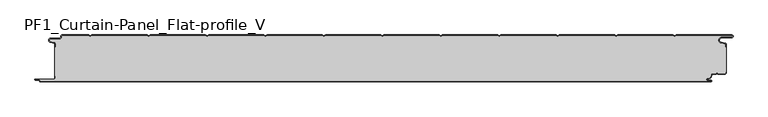
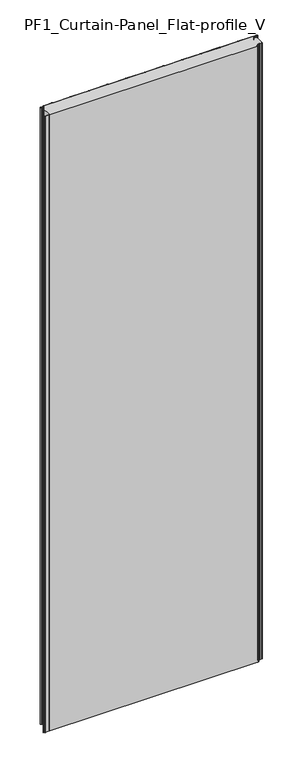
"""IFC4 building model written with IfcOpenShell, lengths in millimetres: plate geometry, PF1_Curtain-Panel_Flat-profile_V."""

from ifc_helpers import new_model, si_unit, point, frame_2d, origin, origin_with_axes, place, context, project, spatial, polyline, circle_curve, trimmed, segment, composite_curve, outline, extrude, source, transform, mapped, element, save


def pf1_curtain_panel_flat_profile_v_ab3c4e2d(model_context):
    return source(origin(), model_context, "Body", "SweptSolid", [
        extrude(outline(composite_curve([segment(trimmed(circle_curve(frame_2d((-577.0, -15.878557)), 2.0), [point((-575.0, -15.878557))], [point((-576.5500978, -13.9298169))], True, "CARTESIAN"), True, "CONTINUOUS"), segment(polyline([(-576.5500978, -13.9298169), (-582.7098239, -12.507732)]), True, "CONTINUOUS"), segment(trimmed(circle_curve(frame_2d((-581.9, -9.0)), 3.6), [point((-582.7098239, -12.507732))], [point((-581.9, -5.4))], False, "CARTESIAN"), True, "CONTINUOUS"), segment(polyline([(-581.9, -5.4), (-566.4, -5.4)]), True, "CONTINUOUS"), segment(trimmed(circle_curve(frame_2d((-566.4, -3.4)), 2.0), [point((-566.4, -5.4))], [point((-564.4, -3.4))], True, "CARTESIAN"), True, "CONTINUOUS"), segment(polyline([(-564.4, -3.4), (-564.4, -2.0)]), True, "CONTINUOUS"), segment(trimmed(circle_curve(frame_2d((-562.4, -2.0)), 2.0), [point((-564.4, -2.0))], [point((-562.4, 0.0))], False, "CARTESIAN"), True, "CONTINUOUS"), segment(polyline([(-562.4, 0.0), (-517.0999995, 0.0), (-514.4, -1.5588455), (-511.7000005, 0.0), (-417.0999995, 0.0), (-414.4, -1.5588455), (-411.7000005, 0.0), (-317.0999995, 0.0), (-314.4, -1.5588455), (-311.7000005, 0.0), (-217.0999995, 0.0), (-214.4, -1.5588455), (-211.7000005, 0.0), (-117.0999995, 0.0), (-114.4, -1.5588455), (-111.7000005, 0.0), (-17.0999995, 0.0), (-14.4, -1.5588455), (-11.7000005, 0.0), (82.9000005, 0.0), (85.6, -1.5588455), (88.2999995, 0.0), (182.9000005, 0.0), (185.6, -1.5588455), (188.2999995, 0.0), (282.9000005, 0.0), (285.6, -1.5588455), (288.2999995, 0.0), (382.9000005, 0.0), (385.6, -1.5588455), (388.2999995, 0.0), (482.9000005, 0.0), (485.6, -1.5588455), (488.2999995, 0.0), (583.268846, 0.0)]), True, "CONTINUOUS"), segment(trimmed(circle_curve(frame_2d((583.268846, -2.5)), 2.5), [point((583.268846, 0.0))], [point((583.268846, -5.0))], False, "CARTESIAN"), True, "CONTINUOUS"), segment(polyline([(583.268846, -5.0), (566.268846, -5.0)]), True, "CONTINUOUS"), segment(trimmed(circle_curve(frame_2d((566.268846, -9.0)), 4.0), [point((566.268846, -5.0))], [point((565.574253, -12.939231))], True, "CARTESIAN"), True, "CONTINUOUS"), segment(polyline([(565.574253, -12.939231), (572.0203315, -14.0758491)]), True, "CONTINUOUS"), segment(trimmed(circle_curve(frame_2d((571.568846, -16.6363492)), 2.6), [point((572.0203315, -14.0758491))], [point((574.168846, -16.6363492))], False, "CARTESIAN"), True, "CONTINUOUS"), segment(polyline([(574.168846, -16.6363492), (574.168846, -20.0), (573.368846, -20.0), (573.368846, -16.6363492)]), True, "CONTINUOUS"), segment(trimmed(circle_curve(frame_2d((571.568846, -16.6363492)), 1.8), [point((573.368846, -16.6363492))], [point((571.8814129, -14.8636953))], True, "CARTESIAN"), True, "CONTINUOUS"), segment(polyline([(571.8814129, -14.8636953), (565.4353344, -13.7270772)]), True, "CONTINUOUS"), segment(trimmed(circle_curve(frame_2d((566.268846, -9.0)), 4.8), [point((565.4353344, -13.7270772))], [point((566.268846, -4.2))], False, "CARTESIAN"), True, "CONTINUOUS"), segment(polyline([(566.268846, -4.2), (583.268846, -4.2)]), True, "CONTINUOUS"), segment(trimmed(circle_curve(frame_2d((583.268846, -2.5)), 1.7), [point((583.268846, -4.2))], [point((583.268846, -0.8))], True, "CARTESIAN"), True, "CONTINUOUS"), segment(polyline([(583.268846, -0.8), (488.5143588, -0.8), (485.6, -2.482606), (482.6856412, -0.8), (388.5143588, -0.8), (385.6, -2.482606), (382.6856412, -0.8), (288.5143588, -0.8), (285.6, -2.482606), (282.6856412, -0.8), (188.5143588, -0.8), (185.6, -2.482606), (182.6856412, -0.8), (88.5143588, -0.8), (85.6, -2.482606), (82.6856412, -0.8), (-11.4856412, -0.8), (-14.4, -2.482606), (-17.3143588, -0.8), (-111.4856412, -0.8), (-114.4, -2.482606), (-117.3143588, -0.8), (-211.4856412, -0.8), (-214.4, -2.482606), (-217.3143588, -0.8), (-311.4856412, -0.8), (-314.4, -2.482606), (-317.3143588, -0.8), (-411.4856412, -0.8), (-414.4, -2.482606), (-417.3143588, -0.8), (-511.4856412, -0.8), (-514.4, -2.482606), (-517.3143588, -0.8), (-562.4, -0.8)]), True, "CONTINUOUS"), segment(trimmed(circle_curve(frame_2d((-562.4, -2.0)), 1.2), [point((-562.4, -0.8))], [point((-563.6, -2.0))], True, "CARTESIAN"), True, "CONTINUOUS"), segment(polyline([(-563.6, -2.0), (-563.6, -3.4)]), True, "CONTINUOUS"), segment(trimmed(circle_curve(frame_2d((-566.4, -3.4)), 2.8), [point((-563.6, -3.4))], [point((-566.4, -6.2))], False, "CARTESIAN"), True, "CONTINUOUS"), segment(polyline([(-566.4, -6.2), (-581.9, -6.2)]), True, "CONTINUOUS"), segment(trimmed(circle_curve(frame_2d((-581.9, -9.0)), 2.8), [point((-581.9, -6.2))], [point((-582.529863, -11.7282362))], True, "CARTESIAN"), True, "CONTINUOUS"), segment(polyline([(-582.529863, -11.7282362), (-576.370137, -13.150321)]), True, "CONTINUOUS"), segment(trimmed(circle_curve(frame_2d((-577.0, -15.878557)), 2.8), [point((-576.370137, -13.150321))], [point((-574.2, -15.878557))], False, "CARTESIAN"), True, "CONTINUOUS"), segment(polyline([(-574.2, -15.878557), (-574.2, -20.0), (-575.0, -20.0), (-575.0, -15.878557)]), True, "CONTINUOUS")], self_intersect=False)), origin_with_axes(), (0.0, 0.0, 1.0), 3500.0),
        extrude(outline(composite_curve([segment(polyline([(-574.2, -70.0), (-575.0, -70.0), (-575.0, -20.0), (-574.2, -20.0), (-574.2, -15.878557)]), True, "CONTINUOUS"), segment(trimmed(circle_curve(frame_2d((-577.0, -15.878557)), 2.8), [point((-574.2, -15.878557))], [point((-576.370137, -13.1503208))], True, "CARTESIAN"), True, "CONTINUOUS"), segment(polyline([(-576.370137, -13.1503208), (-582.529863, -11.7282362)]), True, "CONTINUOUS"), segment(trimmed(circle_curve(frame_2d((-581.9, -9.0)), 2.8), [point((-582.529863, -11.7282362))], [point((-581.9, -6.2))], False, "CARTESIAN"), True, "CONTINUOUS"), segment(polyline([(-581.9, -6.2), (-566.4, -6.2)]), True, "CONTINUOUS"), segment(trimmed(circle_curve(frame_2d((-566.4, -3.4)), 2.8), [point((-566.4, -6.2))], [point((-563.6, -3.4))], True, "CARTESIAN"), True, "CONTINUOUS"), segment(polyline([(-563.6, -3.4), (-563.6, -2.0)]), True, "CONTINUOUS"), segment(trimmed(circle_curve(frame_2d((-562.4, -2.0)), 1.2), [point((-563.6, -2.0))], [point((-562.4, -0.8))], False, "CARTESIAN"), True, "CONTINUOUS"), segment(polyline([(-562.4, -0.8), (-517.3143588, -0.8), (-514.4, -2.482606), (-511.4856412, -0.8), (-417.3143588, -0.8), (-414.4, -2.482606), (-411.4856412, -0.8), (-317.3143588, -0.8), (-314.4, -2.482606), (-311.4856412, -0.8), (-217.3143588, -0.8), (-214.4, -2.482606), (-211.4856412, -0.8), (-117.3143588, -0.8), (-114.4, -2.482606), (-111.4856412, -0.8), (-17.3143588, -0.8), (-14.4, -2.482606), (-11.4856412, -0.8), (82.6856412, -0.8), (85.6, -2.482606), (88.5143588, -0.8), (182.6856412, -0.8), (185.6, -2.482606), (188.5143588, -0.8), (282.6856412, -0.8), (285.6, -2.482606), (288.5143588, -0.8), (382.6856412, -0.8), (385.6, -2.482606), (388.5143588, -0.8), (482.6856412, -0.8), (485.6, -2.482606), (488.5143588, -0.8), (583.268846, -0.8)]), True, "CONTINUOUS"), segment(trimmed(circle_curve(frame_2d((583.268846, -2.5)), 1.7), [point((583.268846, -0.8))], [point((583.268846, -4.2))], False, "CARTESIAN"), True, "CONTINUOUS"), segment(polyline([(583.268846, -4.2), (566.268846, -4.2)]), True, "CONTINUOUS"), segment(trimmed(circle_curve(frame_2d((566.268846, -9.0)), 4.8), [point((566.268846, -4.2))], [point((565.4353344, -13.7270772))], True, "CARTESIAN"), True, "CONTINUOUS"), segment(polyline([(565.4353344, -13.7270772), (571.8814129, -14.8636953)]), True, "CONTINUOUS"), segment(trimmed(circle_curve(frame_2d((571.568846, -16.6363492)), 1.8), [point((571.8814129, -14.8636953))], [point((573.368846, -16.6363492))], False, "CARTESIAN"), True, "CONTINUOUS"), segment(polyline([(573.368846, -16.6363492), (573.368846, -20.0), (574.168846, -20.0), (574.168846, -63.0), (573.368846, -63.0), (573.368846, -64.4)]), True, "CONTINUOUS"), segment(trimmed(circle_curve(frame_2d((571.568846, -64.4)), 1.8), [point((573.368846, -64.4))], [point((571.568846, -66.2))], False, "CARTESIAN"), True, "CONTINUOUS"), segment(polyline([(571.568846, -66.2), (560.0002158, -66.2), (558.168846, -64.3686285), (556.3374762, -66.2), (550.168846, -66.2)]), True, "CONTINUOUS"), segment(trimmed(circle_curve(frame_2d((550.168846, -68.0)), 1.8), [point((550.168846, -66.2))], [point((548.368846, -68.0))], True, "CARTESIAN"), True, "CONTINUOUS"), segment(polyline([(548.368846, -68.0), (548.368846, -68.8276204)]), True, "CONTINUOUS"), segment(trimmed(circle_curve(frame_2d((542.9964664, -68.8276204)), 5.3723796), [point((548.368846, -68.8276204))], [point((542.9964664, -74.2))], False, "CARTESIAN"), True, "CONTINUOUS"), segment(polyline([(542.9964664, -74.2), (542.168846, -74.2)]), True, "CONTINUOUS"), segment(trimmed(circle_curve(frame_2d((542.168846, -76.4)), 2.2), [point((542.168846, -74.2))], [point((542.168846, -78.6))], True, "CARTESIAN"), True, "CONTINUOUS"), segment(polyline([(542.168846, -78.6), (548.0579973, -78.6)]), True, "CONTINUOUS"), segment(trimmed(circle_curve(frame_2d((548.0579973, -78.9)), 0.3), [point((548.0579973, -78.6))], [point((548.0579973, -79.2))], False, "CARTESIAN"), True, "CONTINUOUS"), segment(polyline([(548.0579973, -79.2), (-599.4, -79.2)]), True, "CONTINUOUS"), segment(trimmed(circle_curve(frame_2d((-599.4, -78.4)), 0.8), [point((-599.4, -79.2))], [point((-600.2, -78.4))], False, "CARTESIAN"), True, "CONTINUOUS"), segment(trimmed(circle_curve(frame_2d((-601.9, -78.6133333)), 1.7133333), [point((-600.2, -78.4))], [point((-601.9, -76.9))], True, "CARTESIAN"), True, "CONTINUOUS"), segment(polyline([(-601.9, -76.9), (-607.8700312, -76.9)]), True, "CONTINUOUS"), segment(trimmed(circle_curve(frame_2d((-607.8700312, -76.6)), 0.3), [point((-607.8700312, -76.9))], [point((-607.8700312, -76.3))], False, "CARTESIAN"), True, "CONTINUOUS"), segment(polyline([(-607.8700312, -76.3), (-577.0, -76.3)]), True, "CONTINUOUS"), segment(trimmed(circle_curve(frame_2d((-577.0, -73.5)), 2.8), [point((-577.0, -76.3))], [point((-574.2, -73.5))], True, "CARTESIAN"), True, "CONTINUOUS"), segment(polyline([(-574.2, -73.5), (-574.2, -70.0)]), True, "CONTINUOUS")], self_intersect=False)), origin_with_axes(), (0.0, 0.0, 1.0), 3500.0),
        extrude(outline(composite_curve([segment(polyline([(-575.0, -70.0), (-574.2, -70.0), (-574.2, -73.5)]), True, "CONTINUOUS"), segment(trimmed(circle_curve(frame_2d((-577.0, -73.5)), 2.8), [point((-574.2, -73.5))], [point((-577.0, -76.3))], False, "CARTESIAN"), True, "CONTINUOUS"), segment(polyline([(-577.0, -76.3), (-607.8700312, -76.3)]), True, "CONTINUOUS"), segment(trimmed(circle_curve(frame_2d((-607.8700312, -76.6)), 0.3), [point((-607.8700312, -76.3))], [point((-607.8700312, -76.9))], True, "CARTESIAN"), True, "CONTINUOUS"), segment(polyline([(-607.8700312, -76.9), (-601.9, -76.9)]), True, "CONTINUOUS"), segment(trimmed(circle_curve(frame_2d((-601.9, -78.6133333)), 1.7133333), [point((-601.9, -76.9))], [point((-600.2, -78.4))], False, "CARTESIAN"), True, "CONTINUOUS"), segment(trimmed(circle_curve(frame_2d((-599.4, -78.4)), 0.8), [point((-600.2, -78.4))], [point((-599.4, -79.2))], True, "CARTESIAN"), True, "CONTINUOUS"), segment(polyline([(-599.4, -79.2), (548.0579973, -79.2)]), True, "CONTINUOUS"), segment(trimmed(circle_curve(frame_2d((548.0579973, -78.9)), 0.3), [point((548.0579973, -79.2))], [point((548.0579973, -78.6))], True, "CARTESIAN"), True, "CONTINUOUS"), segment(polyline([(548.0579973, -78.6), (542.168846, -78.6)]), True, "CONTINUOUS"), segment(trimmed(circle_curve(frame_2d((542.168846, -76.4)), 2.2), [point((542.168846, -78.6))], [point((542.168846, -74.2))], False, "CARTESIAN"), True, "CONTINUOUS"), segment(polyline([(542.168846, -74.2), (542.9964664, -74.2)]), True, "CONTINUOUS"), segment(trimmed(circle_curve(frame_2d((542.9964664, -68.8276204)), 5.3723796), [point((542.9964664, -74.2))], [point((548.368846, -68.8276204))], True, "CARTESIAN"), True, "CONTINUOUS"), segment(polyline([(548.368846, -68.8276204), (548.368846, -68.0)]), True, "CONTINUOUS"), segment(trimmed(circle_curve(frame_2d((550.168846, -68.0)), 1.8), [point((548.368846, -68.0))], [point((550.168846, -66.2))], False, "CARTESIAN"), True, "CONTINUOUS"), segment(polyline([(550.168846, -66.2), (556.3374762, -66.2), (558.168846, -64.3686285), (560.0002158, -66.2), (571.568846, -66.2)]), True, "CONTINUOUS"), segment(trimmed(circle_curve(frame_2d((571.568846, -64.4)), 1.8), [point((571.568846, -66.2))], [point((573.368846, -64.4))], True, "CARTESIAN"), True, "CONTINUOUS"), segment(polyline([(573.368846, -64.4), (573.368846, -63.0), (574.168846, -63.0), (574.168846, -64.4)]), True, "CONTINUOUS"), segment(trimmed(circle_curve(frame_2d((571.568846, -64.4)), 2.6), [point((574.168846, -64.4))], [point((571.568846, -67.0))], False, "CARTESIAN"), True, "CONTINUOUS"), segment(polyline([(571.568846, -67.0), (559.6688448, -67.0), (558.168846, -65.4999999), (556.6688472, -67.0), (550.168846, -67.0)]), True, "CONTINUOUS"), segment(trimmed(circle_curve(frame_2d((550.168846, -68.0)), 1.0), [point((550.168846, -67.0))], [point((549.168846, -68.0))], True, "CARTESIAN"), True, "CONTINUOUS"), segment(polyline([(549.168846, -68.0), (549.168846, -68.8276204)]), True, "CONTINUOUS"), segment(trimmed(circle_curve(frame_2d((542.9964664, -68.8276204)), 6.1723796), [point((549.168846, -68.8276204))], [point((542.9964664, -75.0))], False, "CARTESIAN"), True, "CONTINUOUS"), segment(polyline([(542.9964664, -75.0), (542.168846, -75.0)]), True, "CONTINUOUS"), segment(trimmed(circle_curve(frame_2d((542.168846, -76.5)), 1.5), [point((542.168846, -75.0))], [point((542.168846, -78.0))], True, "CARTESIAN"), True, "CONTINUOUS"), segment(polyline([(542.168846, -78.0), (548.168846, -78.0)]), True, "CONTINUOUS"), segment(trimmed(circle_curve(frame_2d((548.168846, -79.0)), 1.0), [point((548.168846, -78.0))], [point((548.168846, -80.0))], False, "CARTESIAN"), True, "CONTINUOUS"), segment(polyline([(548.168846, -80.0), (-599.4, -80.0)]), True, "CONTINUOUS"), segment(trimmed(circle_curve(frame_2d((-599.4, -78.4)), 1.6), [point((-599.4, -80.0))], [point((-601.0, -78.4))], False, "CARTESIAN"), True, "CONTINUOUS"), segment(trimmed(circle_curve(frame_2d((-601.9, -78.4)), 0.9), [point((-601.0, -78.4))], [point((-601.9, -77.5))], True, "CARTESIAN"), True, "CONTINUOUS"), segment(polyline([(-601.9, -77.5), (-608.0, -77.5)]), True, "CONTINUOUS"), segment(trimmed(circle_curve(frame_2d((-608.0, -76.5)), 1.0), [point((-608.0, -77.5))], [point((-608.0, -75.5))], False, "CARTESIAN"), True, "CONTINUOUS"), segment(polyline([(-608.0, -75.5), (-577.0, -75.5)]), True, "CONTINUOUS"), segment(trimmed(circle_curve(frame_2d((-577.0, -73.5)), 2.0), [point((-577.0, -75.5))], [point((-575.0, -73.5))], True, "CARTESIAN"), True, "CONTINUOUS"), segment(polyline([(-575.0, -73.5), (-575.0, -70.0)]), True, "CONTINUOUS")], self_intersect=False)), origin_with_axes(), (0.0, 0.0, 1.0), 3500.0),
    ])


if __name__ == "__main__":
    model = new_model("IFC4")
    model_context = context("Model", 3, world=origin())
    ifc_project = project(units=[si_unit("LENGTHUNIT", "METRE", prefix="MILLI")], contexts=[model_context])
    site = spatial("IfcSite", under=ifc_project)
    building = spatial("IfcBuilding", under=site)
    placement = place(None, origin())
    pf1_curtain_panel_flat_profile_v_shape = pf1_curtain_panel_flat_profile_v_ab3c4e2d(model_context)
    element("IfcPlate", 1, ObjectType="PF1_Curtain-Panel_Flat-profile_V", at=placement, inside=building, context=model_context, shape_type="MappedRepresentation", body=[
        mapped(pf1_curtain_panel_flat_profile_v_shape, transform((0.0, 0.0, 0.0), x_axis=(1.0, 0.0, 0.0), y_axis=(0.0, 1.0, 0.0), z_axis=(0.0, 0.0, 1.0))),
    ])
    save(model, "model.ifc")
